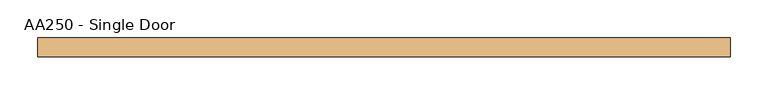
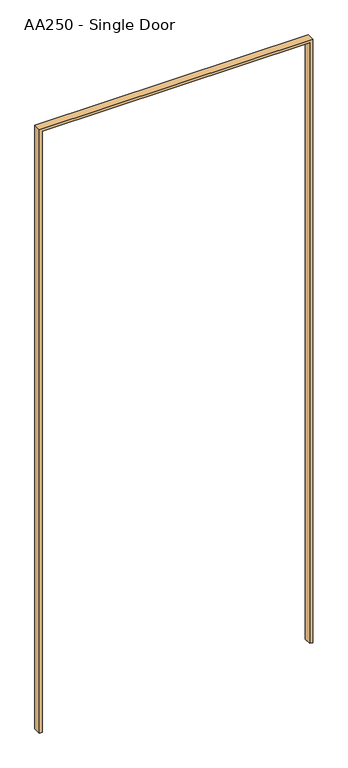
"""IFC4 building model written with IfcOpenShell, lengths in millimetres: door geometry, AA250 - Single Door."""

from ifc_helpers import new_model, si_unit, frame, origin, place, context, project, spatial, polyline, outline, extrude, source, transform, mapped, element, save


def aa250_single_door_4fcfadb9(model_context):
    return source(origin(), model_context, "Body", "SweptSolid", [
        extrude(outline(polyline([(0.0, 457.2), (2133.59492, 457.2), (2133.59492, -457.2), (0.0, -457.2), (0.0, -447.68008), (2124.075, -447.68008), (2124.075, 447.68008), (0.0, 447.68008), (0.0, 457.2)])), frame((0.0, 3.175, 0.0), z_axis=(0.0, 1.0, 0.0), x_axis=(0.0, 0.0, 1.0)), (0.0, 0.0, 1.0), 24.9047),
    ])


if __name__ == "__main__":
    model = new_model("IFC4")
    model_context = context("Model", 3, world=origin())
    ifc_project = project(units=[si_unit("LENGTHUNIT", "METRE", prefix="MILLI")], contexts=[model_context])
    site = spatial("IfcSite", under=ifc_project)
    building = spatial("IfcBuilding", under=site)
    placement = place(None, origin())
    aa250_single_door_shape = aa250_single_door_4fcfadb9(model_context)
    element("IfcDoor", 1, ObjectType="AA250 - Single Door", at=placement, inside=building, context=model_context, shape_type="MappedRepresentation", body=[
        mapped(aa250_single_door_shape, transform((0.0, 0.0, 0.0), x_axis=(1.0, 0.0, 0.0), y_axis=(0.0, 1.0, 0.0), z_axis=(0.0, 0.0, 1.0))),
    ])
    save(model, "model.ifc")
